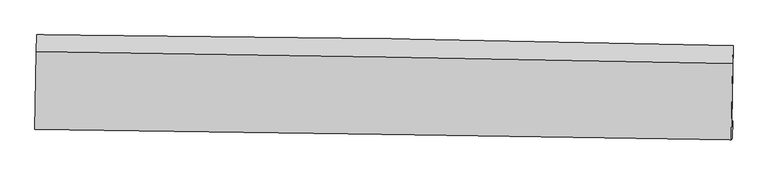
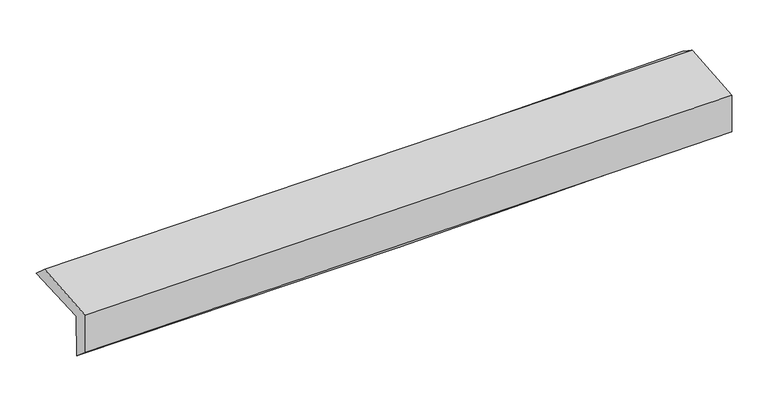
"""IFC4 building model written with IfcOpenShell, lengths in millimetres: proxy geometry."""

from ifc_helpers import new_model, si_unit, frame, origin, place, context, project, spatial, source, transform, mapped, element, save
from ifc_brep_helpers import plane_surface, spline_curve, spline_surface, advanced_brep


def generic_models_928e148b(model_context):
    return source(origin(), model_context, "Body", "AdvancedBrep", [
        advanced_brep(
        [(-3018.4403077, -1756.5697206, 1966.0261674), (-3008.325835, -1091.7018959, 1985.3875665), (3005.583102, -1183.7748159, 2139.6260843), (2995.5743033, -1847.8661638, 2120.2893918), (-3009.4582433, -1744.9874787, 1563.6012818), (3004.6124347, -1836.2121915, 1715.3720074), (-3014.699472, -1896.8832858, 1693.2118411), (2999.7169691, -1988.3218793, 1829.9688447), (-3023.1026604, -1910.5080123, 2067.679492), (2991.3698305, -2001.8557282, 2201.9387767), (-3013.35567, -1235.7172985, 2111.0420828), (3000.8071862, -1342.0367607, 2244.3371351)],
        [
            (0, 1),
            (1, 2, spline_curve(3, [(-3008.325835, -1091.7018959, 1985.3875665), (-2005.200930077, -1099.316055924, 1992.96170769), (-1002.490689539, -1110.79561913, 2009.601494084), (1002.145659962, -1141.486244047, 2061.013515695), (2004.071731999, -1160.697653963, 2095.786568653), (3005.583102, -1183.7748159, 2139.6260843)], [4, 2, 4], [0.0, 9.86998317048528, 19.740411424944494])),
            (2, 3),
            (3, 0, spline_curve(3, [(2995.5743033, -1847.8661638, 2120.2893918), (1993.577871502, -1828.536510648, 2078.918137955), (991.400467725, -1811.263521951, 2045.377129041), (-1013.271085509, -1780.831559594, 1993.956760526), (-2015.765218706, -1767.672400514, 1976.076694606), (-3018.4403077, -1756.5697206, 1966.0261674)], [4, 2, 4], [0.0, 9.870428254459213, 19.740411424944494])),
            (4, 0),
            (3, 5),
            (5, 4, spline_curve(3, [(3004.6124347, -1836.2121915, 1715.3720074), (2002.734876661, -1814.692793346, 1670.141165779), (1000.612235802, -1796.330934929, 1634.878123903), (-1004.078012364, -1765.922982075, 1584.288780727), (-2006.645597319, -1753.87660308, 1568.96158081), (-3009.4582433, -1744.9874787, 1563.6012818)], [4, 2, 4], [0.0, 9.870526967425414, 19.740608846425665])),
            (6, 4),
            (5, 7),
            (7, 6, spline_curve(3, [(2999.7169691, -1988.3218793, 1829.9688447), (1997.255718675, -1972.535097366, 1803.36016495), (994.81242311, -1957.021658283, 1778.659194395), (-1009.993055674, -1926.542151534, 1733.073698414), (-2012.355240705, -1911.576059941, 1712.189001443), (-3014.699472, -1896.8832858, 1693.2118411)], [4, 2, 4], [0.0, 9.870269591784284, 19.74009410674916])),
            (8, 6),
            (7, 9),
            (9, 8, spline_curve(3, [(2991.3698305, -2001.8557282, 2201.9387767), (1988.840070945, -1986.180025439, 2178.38303583), (986.357850701, -1970.72969751, 2155.416652797), (-1018.466308844, -1940.280479424, 2110.663611043), (-2020.808252175, -1925.281568348, 2088.876899331), (-3023.1026604, -1910.5080123, 2067.679492)], [4, 2, 4], [0.0, 9.8700876153478, 19.739730162081994])),
            (10, 8),
            (9, 11),
            (11, 10, spline_curve(3, [(3000.8071862, -1342.0367607, 2244.3371351), (1998.709116811, -1322.207853696, 2221.056789194), (996.468540975, -1303.433268768, 2198.308456456), (-1008.252424044, -1267.993543286, 2153.876820537), (-2010.732800053, -1251.32830714, 2132.193468824), (-3013.35567, -1235.7172985, 2111.0420828)], [4, 2, 4], [0.0, 9.870005412875102, 19.739565760843327])),
            (1, 10),
            (11, 2),
        ],
        [
            spline_surface(3, 3, [[(-3018.4403077, -1756.5697206, 1966.0261674), (-2015.76521869, -1767.672400643, 1976.076694596), (-1013.271085549, -1780.83155965, 1993.956760458), (991.400467766, -1811.263521895, 2045.377129109), (1993.577871636, -1828.536510644, 2078.918138031), (2995.5743033, -1847.8661638, 2120.2893918)], [(-3015.068816801, -1534.947112372, 1972.479967099), (-2012.243789134, -1544.886952431, 1981.705032338), (-1009.677620231, -1557.486246164, 1999.171671653), (994.98219855, -1588.004429228, 2050.589257969), (1997.075825099, -1605.923558451, 2084.540948265), (2998.91056952, -1626.502381176, 2126.73495598)], [(-3011.697325899, -1313.324504128, 1978.933766801), (-2008.722359575, -1322.101504203, 1987.333370082), (-1006.084154963, -1334.140932724, 2004.386582872), (998.563929284, -1364.745336606, 2055.801386852), (2000.573778603, -1383.310606231, 2090.163758458), (3002.24683578, -1405.138598524, 2133.18052012)], [(-3008.325835, -1091.7018959, 1985.3875665), (-2005.200930018, -1099.316055991, 1992.961707824), (-1002.490689646, -1110.795619238, 2009.601494067), (1002.145660068, -1141.486243938, 2061.013515712), (2004.071732066, -1160.697654039, 2095.786568692), (3005.583102, -1183.7748159, 2139.6260843)]], [4, 4], [4, 2, 4], [0.0, 2.198738813988295], [0.0, 9.86998317048528, 19.740411424944494]),
            spline_surface(3, 3, [[(-3009.4582433, -1744.9874787, 1563.6012818), (-2006.645597455, -1753.876603053, 1568.961580819), (-1004.078012327, -1765.922982076, 1584.288780848), (1000.612235765, -1796.330934927, 1634.878123782), (2002.734876657, -1814.692793487, 1670.141165627), (3004.6124347, -1836.2121915, 1715.3720074)], [(-3012.452264754, -1748.848225998, 1697.742910332), (-2009.685471187, -1758.475202247, 1704.666618744), (-1007.142370061, -1770.892507957, 1720.84477405), (997.541646439, -1801.308463939, 1771.711125557), (1999.682541668, -1819.307365851, 1806.400156438), (3001.599724251, -1840.096848912, 1850.344468877)], [(-3015.446286246, -1752.708973302, 1831.884538868), (-2012.725344958, -1763.073801449, 1840.371656671), (-1010.206727815, -1775.862033769, 1857.400767256), (994.471057092, -1806.285992883, 1908.544127334), (1996.630206625, -1823.92193828, 1942.65914722), (2998.587013749, -1843.981506388, 1985.316930323)], [(-3018.4403077, -1756.5697206, 1966.0261674), (-2015.76521869, -1767.672400643, 1976.076694596), (-1013.271085549, -1780.83155965, 1993.956760458), (991.400467766, -1811.263521895, 2045.377129109), (1993.577871636, -1828.536510644, 2078.918138031), (2995.5743033, -1847.8661638, 2120.2893918)]], [4, 4], [4, 2, 4], [0.0, 1.3466470804990684], [0.0, 9.870081879000251, 19.740608846425665]),
            spline_surface(3, 3, [[(-3014.699472, -1896.8832858, 1693.2118411), (-2012.355240567, -1911.576059833, 1712.189001388), (-1009.99305566, -1926.542151648, 1733.073698488), (994.812423096, -1957.021658169, 1778.659194321), (1997.255718538, -1972.53509751, 1803.360165068), (2999.7169691, -1988.3218793, 1829.9688447)], [(-3012.95239576, -1846.251350115, 1650.008321327), (-2010.45202619, -1859.009574255, 1664.446527858), (-1008.021374553, -1873.002428451, 1683.478725937), (996.745693982, -1903.458083749, 1730.732170804), (1999.082104566, -1919.920996187, 1758.953831902), (3001.348790955, -1937.618650051, 1791.769898914)], [(-3011.20531954, -1795.619414385, 1606.804801573), (-2008.548811833, -1806.443088631, 1616.704054349), (-1006.049693435, -1819.462705273, 1633.883753399), (998.678964879, -1849.894509347, 1682.805147299), (2000.908490629, -1867.306894811, 1714.547498793), (3002.980612845, -1886.915420749, 1753.570953186)], [(-3009.4582433, -1744.9874787, 1563.6012818), (-2006.645597455, -1753.876603053, 1568.961580819), (-1004.078012327, -1765.922982076, 1584.288780848), (1000.612235765, -1796.330934927, 1634.878123782), (2002.734876657, -1814.692793487, 1670.141165627), (3004.6124347, -1836.2121915, 1715.3720074)]], [4, 4], [4, 2, 4], [0.0, 0.7131054994302872], [0.0, 9.869824514964877, 19.74009410674916]),
            spline_surface(3, 3, [[(-3023.1026604, -1910.5080123, 2067.679492), (-2020.808252105, -1925.281568366, 2088.876899271), (-1018.466308733, -1940.280479317, 2110.66361104), (986.357850591, -1970.729697617, 2155.4166528), (1988.840070897, -1986.180025316, 2178.38303591), (2991.3698305, -2001.8557282, 2201.9387767)], [(-3020.301597621, -1905.966436786, 1942.856941703), (-2017.990581613, -1920.713065507, 1963.314266646), (-1015.641891064, -1935.701036748, 1984.80030686), (989.176041404, -1966.160351121, 2029.830833311), (1991.645286787, -1981.631716046, 2053.375412298), (2994.152210043, -1997.344445233, 2077.948799368)], [(-3017.500534779, -1901.424861314, 1818.034391397), (-2015.172911059, -1916.144562692, 1837.751634012), (-1012.817473329, -1931.121594217, 1858.937002668), (991.994232283, -1961.591004665, 1904.24501381), (1994.450502648, -1977.083406779, 1928.367788681), (2996.934589557, -1992.833162267, 1953.958822032)], [(-3014.699472, -1896.8832858, 1693.2118411), (-2012.355240567, -1911.576059833, 1712.189001388), (-1009.99305566, -1926.542151648, 1733.073698488), (994.812423096, -1957.021658169, 1778.659194321), (1997.255718538, -1972.53509751, 1803.360165068), (2999.7169691, -1988.3218793, 1829.9688447)]], [4, 4], [4, 2, 4], [0.0, 1.2385765418155468], [0.0, 9.869642546734195, 19.739730162081994]),
            spline_surface(3, 3, [[(-3013.35567, -1235.7172985, 2111.0420828), (-2010.73280013, -1251.328307182, 2132.193468848), (-1008.252423989, -1267.993543206, 2153.876820424), (996.468540919, -1303.433268848, 2198.308456569), (1998.709116866, -1322.207853575, 2221.056789045), (3000.8071862, -1342.0367607, 2244.3371351)], [(-3016.604666794, -1460.647536426, 2096.587885873), (-2014.091284115, -1475.979394236, 2117.754612329), (-1011.657052229, -1492.089188588, 2139.472417306), (993.098310817, -1525.865411783, 2184.011188656), (1995.419434871, -1543.531910815, 2206.83220466), (2997.661400961, -1561.976416526, 2230.20434896)], [(-3019.853663606, -1685.577774374, 2082.133688927), (-2017.449768119, -1700.630481312, 2103.31575579), (-1015.061680493, -1716.184833934, 2125.068014158), (989.728080693, -1748.297554682, 2169.713920713), (1992.129752892, -1764.855968076, 2192.607620296), (2994.515615739, -1781.916072374, 2216.07156284)], [(-3023.1026604, -1910.5080123, 2067.679492), (-2020.808252105, -1925.281568366, 2088.876899271), (-1018.466308733, -1940.280479317, 2110.66361104), (986.357850591, -1970.729697617, 2155.4166528), (1988.840070897, -1986.180025316, 2178.38303591), (2991.3698305, -2001.8557282, 2201.9387767)]], [4, 4], [4, 2, 4], [0.0, 2.2022661608383576], [0.0, 9.869560347968225, 19.739565760843327]),
            spline_surface(3, 3, [[(-3008.325835, -1091.7018959, 1985.3875665), (-2005.200930018, -1099.316055991, 1992.961707824), (-1002.490689646, -1110.795619238, 2009.601494067), (1002.145660068, -1141.486243938, 2061.013515712), (2004.071732066, -1160.697654039, 2095.786568692), (3005.583102, -1183.7748159, 2139.6260843)], [(-3010.002446671, -1139.707030104, 2027.272405266), (-2007.044886727, -1149.986806392, 2039.372294831), (-1004.411267765, -1163.194927227, 2057.693269519), (1000.253287013, -1195.468585574, 2106.778495997), (2002.284193669, -1214.53438722, 2137.543308811), (3003.99113007, -1236.528797503, 2174.529767901)], [(-3011.679058329, -1187.712164296, 2069.157244034), (-2008.888843421, -1200.657556781, 2085.782881841), (-1006.331845869, -1215.594235217, 2105.785044972), (998.360913974, -1249.450927212, 2152.543476284), (2000.496655262, -1268.371120393, 2179.300048926), (3002.39915813, -1289.282779097, 2209.433451499)], [(-3013.35567, -1235.7172985, 2111.0420828), (-2010.73280013, -1251.328307182, 2132.193468848), (-1008.252423989, -1267.993543206, 2153.876820424), (996.468540919, -1303.433268848, 2198.308456569), (1998.709116866, -1322.207853575, 2221.056789045), (3000.8071862, -1342.0367607, 2244.3371351)]], [4, 4], [4, 2, 4], [0.0, 0.6984146838098693], [0.0, 9.869624438599148, 19.73969394499532]),
            plane_surface(frame((2999.6106376, -1700.0112566, 2041.92204), z_axis=(0.9996377006380603, -0.015702493494014563, 0.021860904855979107), x_axis=(0.02241988299821735, 0.03635105661328741, -0.9990875584899673))),
            plane_surface(frame((-3014.5636981, -1606.061282, 1897.8247386), z_axis=(-0.9996355864461898, 0.015843666651916978, -0.021855720930814563), x_axis=(-0.015204553064688214, -0.9994607157427008, -0.029104969561769667))),
        ],
        [
            (0, [[1, 2, 3, 4]]),
            (1, [[5, -4, 6, 7]]),
            (2, [[8, -7, 9, 10]]),
            (3, [[11, -10, 12, 13]]),
            (4, [[14, -13, 15, 16]]),
            (5, [[17, -16, 18, -2]]),
            (6, [[-12, -9, -6, -3, -18, -15]]),
            (7, [[-1, -5, -8, -11, -14, -17]]),
        ],
    ),
    ])


if __name__ == "__main__":
    model = new_model("IFC4")
    model_context = context("Model", 3, world=origin())
    ifc_project = project(units=[si_unit("LENGTHUNIT", "METRE", prefix="MILLI")], contexts=[model_context])
    site = spatial("IfcSite", under=ifc_project)
    building = spatial("IfcBuilding", under=site)
    placement = place(None, origin())
    generic_models_shape = generic_models_928e148b(model_context)
    element("IfcBuildingElementProxy", 1, Name="Generic Models", at=placement, inside=building, context=model_context, shape_type="MappedRepresentation", body=[
        mapped(generic_models_shape, transform((0.0, 0.0, 0.0), x_axis=(1.0, 0.0, 0.0), y_axis=(0.0, 1.0, 0.0), z_axis=(0.0, 0.0, 1.0))),
    ])
    save(model, "model.ifc")
